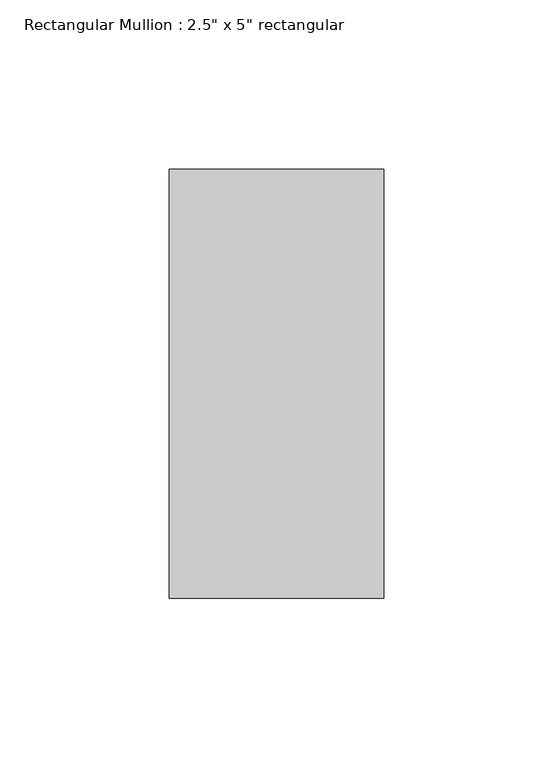
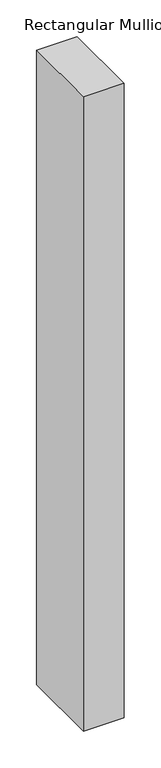
"""IFC4 building model written with IfcOpenShell, lengths in millimetres: member geometry."""

from ifc_helpers import new_model, si_unit, frame, origin, place, context, project, spatial, polyline, outline, extrude, source, transform, mapped, element, save


def member_4a6d6edb(model_context):
    return source(origin(), model_context, "Body", "SweptSolid", [
        extrude(outline(polyline([(0.0, 63.5), (0.0, -63.5), (-63.5, -63.5), (-63.5, 63.5), (0.0, 63.5)])), frame((0.0, 0.0, -1049.3913815), z_axis=(0.0, 0.0, 1.0), x_axis=(1.0, 0.0, 0.0)), (0.0, 0.0, 1.0), 1049.3913815),
    ])


if __name__ == "__main__":
    model = new_model("IFC4")
    model_context = context("Model", 3, world=origin())
    ifc_project = project(units=[si_unit("LENGTHUNIT", "METRE", prefix="MILLI")], contexts=[model_context])
    site = spatial("IfcSite", under=ifc_project)
    building = spatial("IfcBuilding", under=site)
    placement = place(None, origin())
    member_shape = member_4a6d6edb(model_context)
    element("IfcMember", 1, ObjectType="Rectangular Mullion : 2.5\" x 5\" rectangular", at=placement, inside=building, context=model_context, shape_type="MappedRepresentation", body=[
        mapped(member_shape, transform((0.0, 0.0, 0.0), x_axis=(1.0, 0.0, 0.0), y_axis=(0.0, 1.0, 0.0), z_axis=(0.0, 0.0, 1.0))),
    ])
    save(model, "model.ifc")
